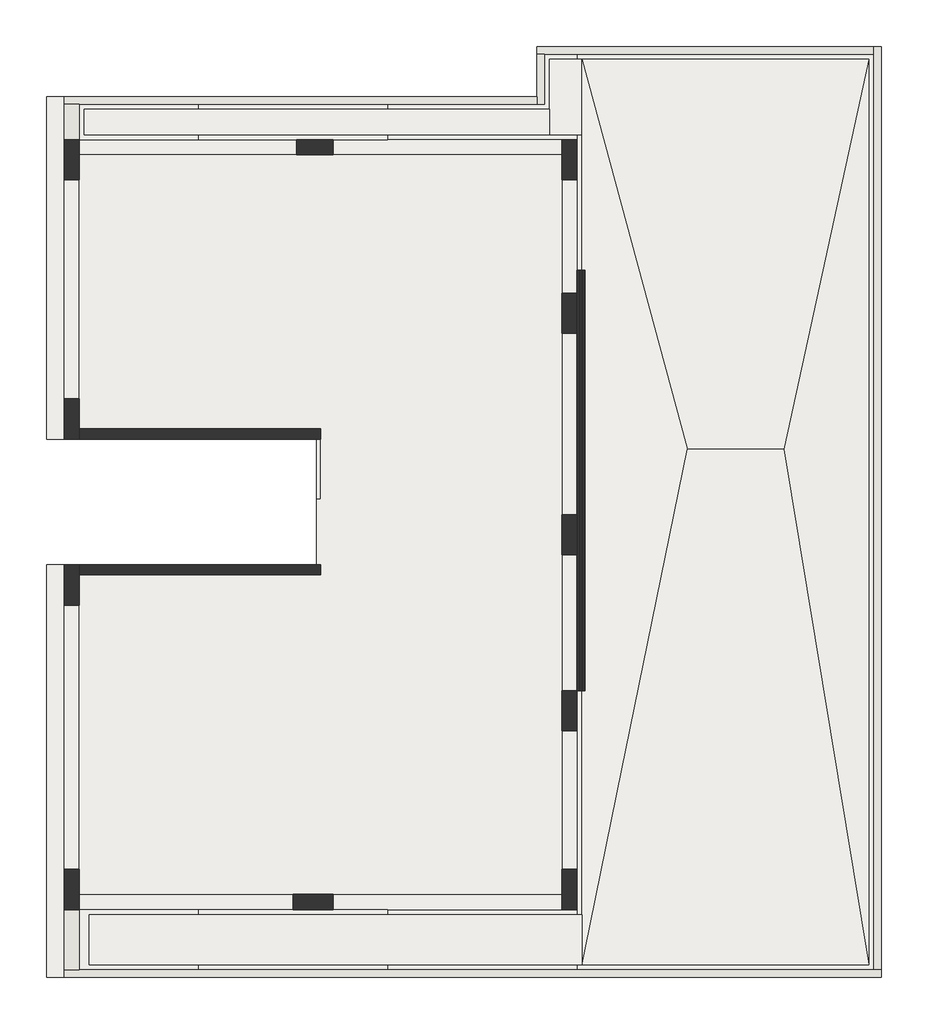
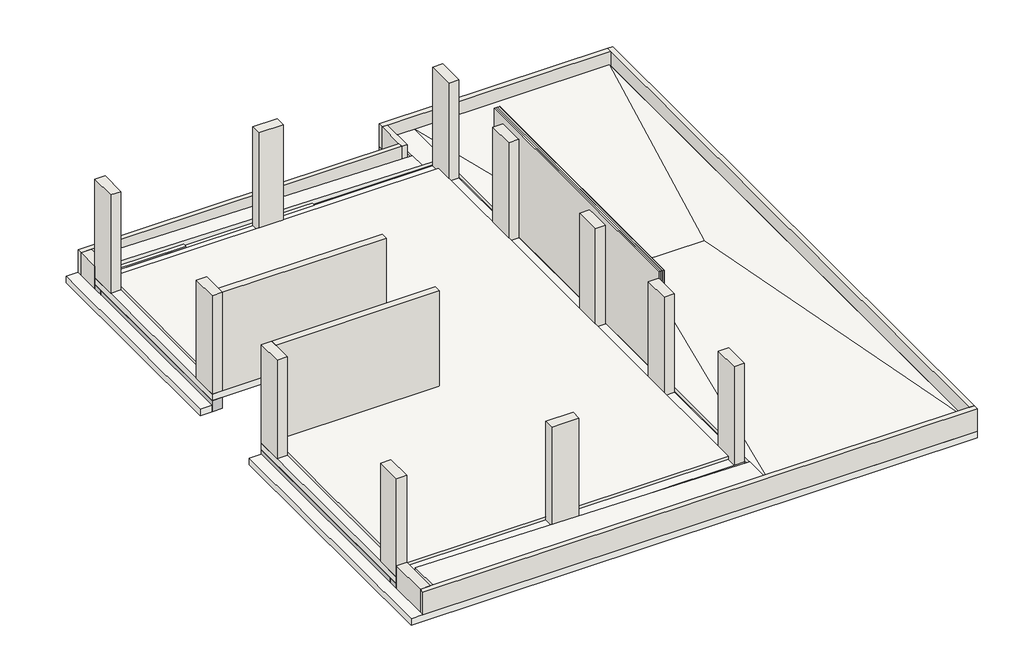
# One storey: 21 walls, 12 slabs, 5 beams.
"""IFC4 building model written with IfcOpenShell, lengths in millimetres."""

from ifc_helpers import new_model, si_unit, frame, origin, place, context, project, spatial, polyline, outline, extrude, faceted_brep, element, save

model = new_model("IFC4")

# Units and contexts
model_context = context("Model", 3, world=origin())
ifc_project = project(units=[si_unit("LENGTHUNIT", "METRE", prefix="MILLI")], contexts=[model_context])

# Site, building, storey
site = spatial("IfcSite", under=ifc_project)
building = spatial("IfcBuilding", under=site)
storey = spatial("IfcBuildingStorey", under=building, Elevation=3500.0)

# Beams
placement = place(None, origin())
element("IfcBeam", 1, at=placement, inside=storey, context=model_context, shape_type="Brep", body=[
    faceted_brep([(4714.4559604, 5372.6573753, 2950.0), (9264.4559604, 5372.6573753, 2950.0), (10064.4559604, 5372.6573753, 2950.0), (14914.4559604, 5372.6573753, 2950.0), (14914.4559604, 5372.6573753, 3150.0), (14914.4559604, 5372.6573753, 3300.0), (5014.4559604, 5372.6573753, 3300.0), (4714.4559604, 5372.6573753, 3300.0), (4714.4559604, 5372.6573753, 3150.0), (14914.4559604, 5672.6573753, 2950.0), (4714.4559604, 5672.6573753, 2950.0), (5014.4559604, 5672.6573753, 2950.0), (9264.4559604, 5672.6573753, 2950.0), (10064.4559604, 5672.6573753, 2950.0), (14614.4559604, 5672.6573753, 2950.0), (4714.4559604, 5672.6573753, 3300.0), (5014.4559604, 5672.6573753, 3300.0), (14614.4559604, 5672.6573753, 3300.0), (14914.4559604, 5672.6573753, 3300.0), (14914.4559604, 5672.6573753, 3150.0), (4714.4559604, 5672.6573753, 3150.0)], [[[0, 1, 2, 3, 4, 5, 6, 7, 8]], [[9, 3, 2, 1, 0, 10, 11, 12, 13, 14]], [[15, 16, 17, 18, 19, 9, 14, 13, 12, 11, 10, 20]], [[3, 9, 19, 18, 5, 4]], [[18, 17, 16, 15, 7, 6, 5]], [[10, 0, 8, 7, 15, 20]]]),
])
element("IfcBeam", 2, at=placement, inside=storey, context=model_context, shape_type="Brep", body=[
    faceted_brep([(14914.4559604, 5672.6573753, 2950.0), (14914.4559604, 6172.6573753, 2950.0), (14914.4559604, 8922.6573753, 2950.0), (14914.4559604, 9722.6573753, 2950.0), (14914.4559604, 12422.6573753, 2950.0), (14914.4559604, 13222.6573753, 2950.0), (14914.4559604, 16822.6573753, 2950.0), (14914.4559604, 17622.6573753, 2950.0), (14914.4559604, 19872.6573753, 2950.0), (14914.4559604, 20672.6573753, 2950.0), (14914.4559604, 20672.6573753, 3150.0), (14914.4559604, 20672.6573753, 3300.0), (14914.4559604, 5672.6573753, 3300.0), (14914.4559604, 5672.6573753, 3150.0), (14614.4559604, 5672.6573753, 2950.0), (14614.4559604, 6172.6573753, 2950.0), (14614.4559604, 8922.6573753, 2950.0), (14614.4559604, 9722.6573753, 2950.0), (14614.4559604, 12422.6573753, 2950.0), (14614.4559604, 13222.6573753, 2950.0), (14614.4559604, 16822.6573753, 2950.0), (14614.4559604, 17622.6573753, 2950.0), (14614.4559604, 19872.6573753, 2950.0), (14614.4559604, 20372.6573753, 2950.0), (14614.4559604, 20672.6573753, 2950.0), (14614.4559604, 5672.6573753, 3300.0), (14614.4559604, 20372.6573753, 3300.0), (14614.4559604, 20672.6573753, 3300.0), (14614.4559604, 20672.6573753, 3150.0)], [[[0, 1, 2, 3, 4, 5, 6, 7, 8, 9, 10, 11, 12, 13]], [[0, 14, 15, 16, 17, 18, 19, 20, 21, 22, 23, 24, 9, 8, 7, 6, 5, 4, 3, 2, 1]], [[25, 26, 27, 28, 24, 23, 22, 21, 20, 19, 18, 17, 16, 15, 14]], [[14, 0, 13, 12, 25]], [[27, 26, 25, 12, 11]], [[9, 24, 28, 27, 11, 10]]]),
])
element("IfcBeam", 3, at=placement, inside=storey, context=model_context, shape_type="Brep", body=[
    faceted_brep([(4714.4559604, 20672.6573753, 2950.0), (4714.4559604, 20672.6573753, 3150.0), (4714.4559604, 20672.6573753, 3300.0), (5014.4559604, 20672.6573753, 3300.0), (14614.4559604, 20672.6573753, 3300.0), (14614.4559604, 20672.6573753, 2950.0), (10064.4559604, 20672.6573753, 2950.0), (9339.4559604, 20672.6573753, 2950.0), (5014.4559604, 20672.6573753, 2950.0), (4714.4559604, 20372.6573753, 2950.0), (14614.4559604, 20372.6573753, 2950.0), (10064.4559604, 20372.6573753, 2950.0), (9339.4559604, 20372.6573753, 2950.0), (5014.4559604, 20372.6573753, 2950.0), (4714.4559604, 20372.6573753, 3300.0), (4714.4559604, 20372.6573753, 3150.0), (14614.4559604, 20372.6573753, 3300.0), (5014.4559604, 20372.6573753, 3300.0)], [[[0, 1, 2, 3, 4, 5, 6, 7, 8]], [[9, 0, 8, 7, 6, 5, 10, 11, 12, 13]], [[14, 15, 9, 13, 12, 11, 10, 16, 17]], [[2, 14, 17, 16, 4, 3]], [[0, 9, 15, 14, 2, 1]], [[5, 4, 16, 10]]]),
])
element("IfcBeam", 4, at=placement, inside=storey, context=model_context, shape_type="Brep", body=[
    faceted_brep([(4714.4559604, 14722.6573753, 2950.0), (4714.4559604, 14722.6573753, 3150.0), (4714.4559604, 14722.6573753, 3300.0), (4714.4559604, 20372.6573753, 3300.0), (4714.4559604, 20372.6573753, 2950.0), (4714.4559604, 19872.6573753, 2950.0), (4714.4559604, 15522.6573753, 2950.0), (5014.4559604, 14722.6573753, 2950.0), (5014.4559604, 20372.6573753, 2950.0), (5014.4559604, 19872.6573753, 2950.0), (5014.4559604, 15522.6573753, 2950.0), (5014.4559604, 14722.6573753, 3300.0), (5014.4559604, 20372.6573753, 3300.0)], [[[0, 1, 2, 3, 4, 5, 6]], [[7, 0, 6, 5, 4, 8, 9, 10]], [[11, 7, 10, 9, 8, 12]], [[0, 7, 11, 2, 1]], [[2, 11, 12, 3]], [[4, 3, 12, 8]]]),
])
element("IfcBeam", 5, at=placement, inside=storey, context=model_context, shape_type="Brep", body=[
    faceted_brep([(4714.4559604, 12222.6573753, 3300.0), (4714.4559604, 12222.6573753, 3150.0), (4714.4559604, 12222.6573753, 2950.0), (4714.4559604, 11422.6573753, 2950.0), (4714.4559604, 5672.6573753, 2950.0), (4714.4559604, 5672.6573753, 3300.0), (5014.4559604, 12222.6573753, 2950.0), (5014.4559604, 11422.6573753, 2950.0), (5014.4559604, 5672.6573753, 2950.0), (5014.4559604, 12222.6573753, 3300.0), (5014.4559604, 5672.6573753, 3300.0)], [[[0, 1, 2, 3, 4, 5]], [[2, 6, 7, 8, 4, 3]], [[6, 9, 10, 8, 7]], [[9, 0, 5, 10]], [[6, 2, 1, 0, 9]], [[5, 4, 8, 10]]]),
])

# Slabs
element("IfcSlab", 6, at=placement, inside=storey, context=model_context, shape_type="Brep", body=[
    faceted_brep([(14914.4559604, 20672.6573753, 3300.0), (14914.4559604, 5672.6573753, 3300.0), (14914.4559604, 5372.6573753, 3300.0), (4714.4559604, 5372.6573753, 3300.0), (4714.4559604, 5672.6573753, 3300.0), (4714.4559604, 12222.6573753, 3300.0), (5014.4559604, 12222.6573753, 3300.0), (9664.4559604, 12222.6573753, 3300.0), (9734.4559604, 12222.6573753, 3300.0), (9734.4559604, 14722.6573753, 3300.0), (9664.4559604, 14722.6573753, 3300.0), (9114.4559604, 14722.6573753, 3300.0), (5014.4559604, 14722.6573753, 3300.0), (4714.4559604, 14722.6573753, 3300.0), (4714.4559604, 20372.6573753, 3300.0), (4714.4559604, 20672.6573753, 3300.0), (14614.4559604, 20672.6573753, 3300.0), (14914.4559604, 20672.6573753, 3500.0), (14614.4559604, 20672.6573753, 3500.0), (10064.4559604, 20672.6573753, 3500.0), (9339.4559604, 20672.6573753, 3500.0), (5014.4559604, 20672.6573753, 3500.0), (4714.4559604, 20672.6573753, 3500.0), (4714.4559604, 19872.6573753, 3500.0), (4714.4559604, 15522.6573753, 3500.0), (4714.4559604, 14722.6573753, 3500.0), (5014.4559604, 14722.6573753, 3500.0), (9734.4559604, 14722.6573753, 3500.0), (9734.4559604, 12222.6573753, 3500.0), (5014.4559604, 12222.6573753, 3500.0), (4714.4559604, 12222.6573753, 3500.0), (4714.4559604, 11422.6573753, 3500.0), (4714.4559604, 6172.6573753, 3500.0), (4714.4559604, 5372.6573753, 3500.0), (5014.4559604, 5372.6573753, 3500.0), (14614.4559604, 5372.6573753, 3500.0), (14914.4559604, 5372.6573753, 3500.0), (14914.4559604, 6172.6573753, 3500.0), (14914.4559604, 8922.6573753, 3500.0), (14914.4559604, 9722.6573753, 3500.0), (14914.4559604, 12422.6573753, 3500.0), (14914.4559604, 13222.6573753, 3500.0), (14914.4559604, 16822.6573753, 3500.0), (14914.4559604, 17622.6573753, 3500.0), (14914.4559604, 19872.6573753, 3500.0)], [[[0, 1, 2, 3, 4, 5, 6, 7, 8, 9, 10, 11, 12, 13, 14, 15, 16]], [[17, 18, 19, 20, 21, 22, 23, 24, 25, 26, 27, 28, 29, 30, 31, 32, 33, 34, 35, 36, 37, 38, 39, 40, 41, 42, 43, 44]], [[2, 1, 0, 17, 44, 43, 42, 41, 40, 39, 38, 37, 36]], [[3, 2, 36, 35, 34, 33]], [[5, 4, 3, 33, 32, 31, 30]], [[8, 7, 6, 5, 30, 29, 28]], [[9, 8, 28, 27]], [[13, 12, 11, 10, 9, 27, 26, 25]], [[0, 16, 15, 22, 21, 20, 19, 18, 17]], [[15, 14, 13, 25, 24, 23, 22]]]),
])
element("IfcSlab", 7, at=placement, inside=storey, context=model_context, shape_type="Brep", body=[
    faceted_brep([(20964.4559604, 22522.6573753, 2950.0), (20964.4559604, 4022.6573753, 2950.0), (4364.4559604, 4022.6573753, 2950.0), (4364.4559604, 12222.6573753, 2950.0), (4714.4559604, 12222.6573753, 2950.0), (4714.4559604, 5672.6573753, 2950.0), (4714.4559604, 5372.6573753, 2950.0), (14914.4559604, 5372.6573753, 2950.0), (14914.4559604, 5672.6573753, 2950.0), (14914.4559604, 20672.6573753, 2950.0), (14614.4559604, 20672.6573753, 2950.0), (4714.4559604, 20672.6573753, 2950.0), (4714.4559604, 20372.6573753, 2950.0), (4714.4559604, 14722.6573753, 2950.0), (4364.4559604, 14722.6573753, 2950.0), (4364.4559604, 21522.6573753, 2950.0), (14114.4559604, 21522.6573753, 2950.0), (14114.4559604, 22522.6573753, 2950.0), (20964.4559604, 22522.6573753, 3150.0), (20814.4559604, 22522.6573753, 3150.0), (14114.4559604, 22522.6573753, 3150.0), (14114.4559604, 22372.6573753, 3150.0), (14114.4559604, 21522.6573753, 3150.0), (4714.4559604, 21522.6573753, 3150.0), (4364.4559604, 21522.6573753, 3150.0), (4364.4559604, 14722.6573753, 3150.0), (4714.4559604, 14722.6573753, 3150.0), (4714.4559604, 20672.6573753, 3150.0), (14914.4559604, 20672.6573753, 3150.0), (14914.4559604, 5372.6573753, 3150.0), (4714.4559604, 5372.6573753, 3150.0), (4714.4559604, 12222.6573753, 3150.0), (4364.4559604, 12222.6573753, 3150.0), (4364.4559604, 4022.6573753, 3150.0), (4714.4559604, 4022.6573753, 3150.0), (20964.4559604, 4022.6573753, 3150.0), (20964.4559604, 4172.6573753, 3150.0)], [[[0, 1, 2, 3, 4, 5, 6, 7, 8, 9, 10, 11, 12, 13, 14, 15, 16, 17]], [[18, 19, 20, 21, 22, 23, 24, 25, 26, 27, 28, 29, 30, 31, 32, 33, 34, 35, 36]], [[15, 14, 25, 24]], [[16, 15, 24, 23, 22]], [[17, 16, 22, 21, 20]], [[0, 17, 20, 19, 18]], [[1, 0, 18, 36, 35]], [[2, 1, 35, 34, 33]], [[3, 2, 33, 32]], [[9, 8, 7, 29, 28]], [[11, 10, 9, 28, 27]], [[4, 3, 32, 31]], [[6, 5, 4, 31, 30]], [[7, 6, 30, 29]], [[13, 12, 11, 27, 26]], [[14, 13, 26, 25]]]),
])
element("IfcSlab", 8, at=placement, inside=storey, context=model_context, shape_type="Brep", body=[
    faceted_brep([(14264.4559604, 22372.6573753, 3150.0), (20814.4559604, 22372.6573753, 3150.0), (20814.4559604, 4172.6573753, 3150.0), (5014.4559604, 4172.6573753, 3150.0), (5014.4559604, 5372.6573753, 3150.0), (14914.4559604, 5372.6573753, 3150.0), (14914.4559604, 20672.6573753, 3150.0), (5014.4559604, 20672.6573753, 3150.0), (5014.4559604, 21372.6573753, 3150.0), (14264.4559604, 21372.6573753, 3150.0), (14264.4559604, 22372.6573753, 3300.0), (14264.4559604, 21372.6573753, 3300.0), (5014.4559604, 21372.6573753, 3300.0), (5014.4559604, 20672.6573753, 3300.0), (14614.4559604, 20672.6573753, 3300.0), (14914.4559604, 20672.6573753, 3300.0), (14914.4559604, 5672.6573753, 3300.0), (14914.4559604, 5372.6573753, 3300.0), (5014.4559604, 5372.6573753, 3300.0), (5014.4559604, 4172.6573753, 3300.0), (20814.4559604, 4172.6573753, 3300.0), (20814.4559604, 22372.6573753, 3300.0)], [[[0, 1, 2, 3, 4, 5, 6, 7, 8, 9]], [[10, 11, 12, 13, 14, 15, 16, 17, 18, 19, 20, 21]], [[1, 0, 10, 21]], [[2, 1, 21, 20]], [[3, 2, 20, 19]], [[6, 5, 17, 16, 15]], [[7, 6, 15, 14, 13]], [[0, 9, 11, 10]], [[4, 3, 19, 18]], [[5, 4, 18, 17]], [[8, 7, 13, 12]], [[9, 8, 12, 11]]]),
])
element("IfcSlab", 9, at=placement, inside=storey, context=model_context, shape_type="Brep", body=[
    faceted_brep([(19644.4559604, 7142.6573753, 3300.0), (16084.4559604, 7142.6573753, 3300.0), (16084.4559604, 19417.6573753, 3300.0), (19644.4559604, 19417.6573753, 3300.0), (15014.4559604, 22272.6573753, 3530.0), (20714.4559604, 22272.6573753, 3530.0), (20714.4559604, 22272.6573753, 3400.0), (15014.4559604, 22272.6573753, 3400.0), (20714.4559604, 4272.6573753, 3530.0), (20714.4559604, 4272.6573753, 3400.0), (15014.4559604, 4272.6573753, 3530.0), (15014.4559604, 4272.6573753, 3400.0), (15014.4559604, 20772.6573753, 3400.0), (15014.4559604, 5272.6573753, 3400.0), (19024.4559604, 14522.6573753, 3370.0), (17104.4559604, 14522.6573753, 3370.0), (15499.4559604, 5957.6573753, 3350.0), (15499.4559604, 20602.6573753, 3350.0), (20229.4559604, 20602.6573753, 3350.0), (20229.4559604, 5957.6573753, 3350.0), (16084.4559604, 19417.6573753, 3350.0), (16084.4559604, 7142.6573753, 3350.0), (19644.4559604, 7142.6573753, 3350.0), (19644.4559604, 19417.6573753, 3350.0), (20229.4559604, 20602.6573753, 3400.0), (15499.4559604, 20602.6573753, 3400.0), (15499.4559604, 5957.6573753, 3400.0), (20229.4559604, 5957.6573753, 3400.0)], [[[0, 1, 2, 3]], [[4, 5, 6, 7]], [[5, 8, 9, 6]], [[8, 10, 11, 9]], [[10, 4, 7, 12, 13, 11]], [[10, 8, 14, 15]], [[4, 10, 15]], [[15, 14, 5, 4]], [[8, 5, 14]], [[16, 17, 18, 19], [20, 21, 22, 23]], [[22, 21, 1, 0]], [[23, 22, 0, 3]], [[20, 23, 3, 2]], [[21, 20, 2, 1]], [[7, 6, 9, 11, 13, 12], [24, 25, 26, 27]], [[26, 25, 17, 16]], [[27, 26, 16, 19]], [[24, 27, 19, 18]], [[25, 24, 18, 17]]]),
])
element("IfcSlab", 10, at=placement, inside=storey, context=model_context, shape_type="Brep", body=[
    faceted_brep([(14364.4559604, 20772.6573753, 3540.0), (5114.4559604, 20772.6573753, 3680.0), (5114.4559604, 20772.6573753, 3550.0), (7374.4559604, 20772.6573753, 3550.0), (7374.4559604, 20772.6573753, 3500.0), (11144.4559604, 20772.6573753, 3500.0), (11144.4559604, 20772.6573753, 3450.0), (14914.4559604, 20772.6573753, 3450.0), (14914.4559604, 20772.6573753, 3400.0), (15014.4559604, 20772.6573753, 3400.0), (15014.4559604, 20772.6573753, 3530.0), (14364.4559604, 22272.6573753, 3540.0), (15014.4559604, 22272.6573753, 3530.0), (15014.4559604, 22272.6573753, 3400.0), (14914.4559604, 22272.6573753, 3400.0), (14914.4559604, 22272.6573753, 3450.0), (14364.4559604, 22272.6573753, 3450.0), (5114.4559604, 21272.6573753, 3680.0), (5114.4559604, 21272.6573753, 3550.0), (14364.4559604, 21272.6573753, 3540.0), (14364.4559604, 21272.6573753, 3450.0), (11144.4559604, 21272.6573753, 3450.0), (11144.4559604, 21272.6573753, 3500.0), (7374.4559604, 21272.6573753, 3500.0), (7374.4559604, 21272.6573753, 3550.0)], [[[0, 1, 2, 3, 4, 5, 6, 7, 8, 9, 10]], [[11, 12, 13, 14, 15, 16]], [[12, 10, 9, 13]], [[1, 17, 18, 2]], [[17, 19, 20, 21, 22, 23, 24, 18]], [[19, 11, 16, 20]], [[19, 17, 1, 0]], [[10, 12, 11, 19, 0]], [[13, 9, 8, 14]], [[15, 7, 6, 21, 20, 16]], [[7, 15, 14, 8]], [[22, 5, 4, 23]], [[5, 22, 21, 6]], [[24, 3, 2, 18]], [[3, 24, 23, 4]]]),
])
element("IfcSlab", 11, at=placement, inside=storey, context=model_context, shape_type="SweptSolid", body=[
    extrude(outline(polyline([(3530.0, 15014.4559604), (3680.0, 5214.4559604), (3550.0, 5214.4559604), (3550.0, 7374.4559604), (3500.0, 7374.4559604), (3500.0, 11144.4559604), (3450.0, 11144.4559604), (3450.0, 14914.4559604), (3400.0, 14914.4559604), (3400.0, 15014.4559604), (3530.0, 15014.4559604)])), frame((0.0, 4272.6573753, 0.0), z_axis=(0.0, 1.0, 0.0), x_axis=(0.0, 0.0, 1.0)), (0.0, 0.0, 1.0), 1000.0),
])
element("IfcSlab", 12, at=placement, inside=storey, context=model_context, shape_type="SweptSolid", body=[
    extrude(outline(polyline([(14264.4559604, 22372.6573753), (20814.4559604, 22372.6573753), (20814.4559604, 4172.6573753), (5014.4559604, 4172.6573753), (5014.4559604, 5372.6573753), (14914.4559604, 5372.6573753), (14914.4559604, 20672.6573753), (5014.4559604, 20672.6573753), (5014.4559604, 21372.6573753), (14264.4559604, 21372.6573753), (14264.4559604, 22372.6573753)]), holes=[polyline([(16084.4559604, 7142.6573753), (19644.4559604, 7142.6573753), (19644.4559604, 19417.6573753), (16084.4559604, 19417.6573753), (16084.4559604, 7142.6573753)])]), frame((0.0, 0.0, 3300.0), z_axis=(0.0, 0.0, 1.0), x_axis=(1.0, 0.0, 0.0)), (0.0, 0.0, 1.0), 50.0),
])
element("IfcSlab", 13, at=placement, inside=storey, context=model_context, shape_type="Brep", body=[
    faceted_brep([(14264.4559604, 22372.6573753, 3350.0), (20814.4559604, 22372.6573753, 3350.0), (20814.4559604, 4172.6573753, 3350.0), (5014.4559604, 4172.6573753, 3350.0), (5014.4559604, 5372.6573753, 3350.0), (14914.4559604, 5372.6573753, 3350.0), (14914.4559604, 20672.6573753, 3350.0), (5014.4559604, 20672.6573753, 3350.0), (5014.4559604, 21372.6573753, 3350.0), (14264.4559604, 21372.6573753, 3350.0), (15499.4559604, 20602.6573753, 3350.0), (15499.4559604, 5957.6573753, 3350.0), (20229.4559604, 5957.6573753, 3350.0), (20229.4559604, 20602.6573753, 3350.0), (14264.4559604, 22372.6573753, 3400.0), (14264.4559604, 21372.6573753, 3400.0), (5014.4559604, 21372.6573753, 3400.0), (5014.4559604, 20672.6573753, 3400.0), (14914.4559604, 20672.6573753, 3400.0), (14914.4559604, 5372.6573753, 3400.0), (5014.4559604, 5372.6573753, 3400.0), (5014.4559604, 4172.6573753, 3400.0), (14914.4559604, 4172.6573753, 3400.0), (20814.4559604, 4172.6573753, 3400.0), (20814.4559604, 22372.6573753, 3400.0), (14914.4559604, 22372.6573753, 3400.0), (15499.4559604, 20602.6573753, 3400.0), (20229.4559604, 20602.6573753, 3400.0), (20229.4559604, 5957.6573753, 3400.0), (15499.4559604, 5957.6573753, 3400.0)], [[[0, 1, 2, 3, 4, 5, 6, 7, 8, 9], [10, 11, 12, 13]], [[14, 15, 16, 17, 18, 19, 20, 21, 22, 23, 24, 25], [26, 27, 28, 29]], [[1, 0, 14, 25, 24]], [[2, 1, 24, 23]], [[3, 2, 23, 22, 21]], [[6, 5, 19, 18]], [[7, 6, 18, 17]], [[0, 9, 15, 14]], [[4, 3, 21, 20]], [[5, 4, 20, 19]], [[8, 7, 17, 16]], [[9, 8, 16, 15]], [[11, 10, 26, 29]], [[12, 11, 29, 28]], [[13, 12, 28, 27]], [[10, 13, 27, 26]]]),
])
element("IfcSlab", 14, at=placement, inside=storey, context=model_context, shape_type="Brep", body=[
    faceted_brep([(14264.4559604, 22372.6573753, 3400.0), (14914.4559604, 22372.6573753, 3400.0), (14914.4559604, 22272.6573753, 3400.0), (14914.4559604, 20772.6573753, 3400.0), (14914.4559604, 20672.6573753, 3400.0), (5014.4559604, 20672.6573753, 3400.0), (5014.4559604, 21372.6573753, 3400.0), (14264.4559604, 21372.6573753, 3400.0), (14264.4559604, 22372.6573753, 3450.0), (14264.4559604, 21372.6573753, 3450.0), (11144.4559604, 21372.6573753, 3450.0), (5014.4559604, 21372.6573753, 3450.0), (5014.4559604, 20672.6573753, 3450.0), (11144.4559604, 20672.6573753, 3450.0), (14914.4559604, 20672.6573753, 3450.0), (14914.4559604, 20772.6573753, 3450.0), (14914.4559604, 22272.6573753, 3450.0), (14914.4559604, 22372.6573753, 3450.0)], [[[0, 1, 2, 3, 4, 5, 6, 7]], [[8, 9, 10, 11, 12, 13, 14, 15, 16, 17]], [[1, 0, 8, 17]], [[5, 4, 14, 13, 12]], [[0, 7, 9, 8]], [[6, 5, 12, 11]], [[7, 6, 11, 10, 9]], [[4, 3, 2, 1, 17, 16, 15, 14]]]),
    faceted_brep([(14914.4559604, 5372.6573753, 3400.0), (14914.4559604, 5272.6573753, 3400.0), (14914.4559604, 4272.6573753, 3400.0), (14914.4559604, 4172.6573753, 3400.0), (5014.4559604, 4172.6573753, 3400.0), (5014.4559604, 5372.6573753, 3400.0), (14914.4559604, 5372.6573753, 3450.0), (11144.4559604, 5372.6573753, 3450.0), (5014.4559604, 5372.6573753, 3450.0), (5014.4559604, 4172.6573753, 3450.0), (11144.4559604, 4172.6573753, 3450.0), (14914.4559604, 4172.6573753, 3450.0), (14914.4559604, 4272.6573753, 3450.0), (14914.4559604, 5272.6573753, 3450.0)], [[[0, 1, 2, 3, 4, 5]], [[6, 7, 8, 9, 10, 11, 12, 13]], [[4, 3, 11, 10, 9]], [[3, 2, 1, 0, 6, 13, 12, 11]], [[5, 4, 9, 8]], [[0, 5, 8, 7, 6]]]),
])
element("IfcSlab", 15, at=placement, inside=storey, context=model_context, shape_type="Brep", body=[
    faceted_brep([(5014.4559604, 4172.6573753, 3450.0), (5014.4559604, 5372.6573753, 3450.0), (11144.4559604, 5372.6573753, 3450.0), (11144.4559604, 5272.6573753, 3450.0), (11144.4559604, 4272.6573753, 3450.0), (11144.4559604, 4172.6573753, 3450.0), (5014.4559604, 4172.6573753, 3500.0), (7374.4559604, 4172.6573753, 3500.0), (11144.4559604, 4172.6573753, 3500.0), (11144.4559604, 4272.6573753, 3500.0), (11144.4559604, 5272.6573753, 3500.0), (11144.4559604, 5372.6573753, 3500.0), (7374.4559604, 5372.6573753, 3500.0), (5014.4559604, 5372.6573753, 3500.0)], [[[0, 1, 2, 3, 4, 5]], [[6, 7, 8, 9, 10, 11, 12, 13]], [[0, 5, 8, 7, 6]], [[1, 0, 6, 13]], [[2, 1, 13, 12, 11]], [[5, 4, 3, 2, 11, 10, 9, 8]]]),
    faceted_brep([(5014.4559604, 20672.6573753, 3450.0), (5014.4559604, 21372.6573753, 3450.0), (11144.4559604, 21372.6573753, 3450.0), (11144.4559604, 21272.6573753, 3450.0), (11144.4559604, 20772.6573753, 3450.0), (11144.4559604, 20672.6573753, 3450.0), (5014.4559604, 20672.6573753, 3500.0), (7374.4559604, 20672.6573753, 3500.0), (11144.4559604, 20672.6573753, 3500.0), (11144.4559604, 20772.6573753, 3500.0), (11144.4559604, 21272.6573753, 3500.0), (11144.4559604, 21372.6573753, 3500.0), (7374.4559604, 21372.6573753, 3500.0), (5014.4559604, 21372.6573753, 3500.0)], [[[0, 1, 2, 3, 4, 5]], [[6, 7, 8, 9, 10, 11, 12, 13]], [[0, 5, 8, 7, 6]], [[1, 0, 6, 13]], [[2, 1, 13, 12, 11]], [[5, 4, 3, 2, 11, 10, 9, 8]]]),
])
element("IfcSlab", 16, at=placement, inside=storey, context=model_context, shape_type="Brep", body=[
    faceted_brep([(5014.4559604, 4172.6573753, 3500.0), (5014.4559604, 5372.6573753, 3500.0), (7374.4559604, 5372.6573753, 3500.0), (7374.4559604, 5272.6573753, 3500.0), (7374.4559604, 4272.6573753, 3500.0), (7374.4559604, 4172.6573753, 3500.0), (5014.4559604, 4172.6573753, 3550.0), (7374.4559604, 4172.6573753, 3550.0), (7374.4559604, 4272.6573753, 3550.0), (7374.4559604, 5272.6573753, 3550.0), (7374.4559604, 5372.6573753, 3550.0), (5014.4559604, 5372.6573753, 3550.0)], [[[0, 1, 2, 3, 4, 5]], [[6, 7, 8, 9, 10, 11]], [[0, 5, 7, 6]], [[1, 0, 6, 11]], [[2, 1, 11, 10]], [[5, 4, 3, 2, 10, 9, 8, 7]]]),
    faceted_brep([(5014.4559604, 20672.6573753, 3500.0), (5014.4559604, 21372.6573753, 3500.0), (7374.4559604, 21372.6573753, 3500.0), (7374.4559604, 21272.6573753, 3500.0), (7374.4559604, 20772.6573753, 3500.0), (7374.4559604, 20672.6573753, 3500.0), (5014.4559604, 20672.6573753, 3550.0), (7374.4559604, 20672.6573753, 3550.0), (7374.4559604, 20772.6573753, 3550.0), (7374.4559604, 21272.6573753, 3550.0), (7374.4559604, 21372.6573753, 3550.0), (5014.4559604, 21372.6573753, 3550.0)], [[[0, 1, 2, 3, 4, 5]], [[6, 7, 8, 9, 10, 11]], [[0, 5, 7, 6]], [[1, 0, 6, 11]], [[2, 1, 11, 10]], [[5, 4, 3, 2, 10, 9, 8, 7]]]),
])
element("IfcSlab", 17, at=placement, inside=storey, context=model_context, shape_type="SweptSolid", body=[
    extrude(outline(polyline([(5014.4559604, 12022.6573753), (9814.4559604, 12022.6573753), (9814.4559604, 12222.6573753), (9734.4559604, 12222.6573753), (9734.4559604, 13522.6573753), (9814.4559604, 13522.6573753), (9814.4559604, 14922.6573753), (5014.4559604, 14922.6573753), (5014.4559604, 20372.6573753), (14614.4559604, 20372.6573753), (14614.4559604, 5672.6573753), (5014.4559604, 5672.6573753), (5014.4559604, 12022.6573753)])), frame((0.0, 0.0, 3500.0), z_axis=(0.0, 0.0, 1.0), x_axis=(1.0, 0.0, 0.0)), (0.0, 0.0, 1.0), 100.0),
])

# Walls
element("IfcWall", 18, at=placement, inside=storey, context=model_context, shape_type="Brep", body=[
    faceted_brep([(5014.4559604, 14722.6573753, 3500.0), (9734.4559604, 14722.6573753, 3500.0), (9814.4559604, 14722.6573753, 3500.0), (9814.4559604, 14722.6573753, 6550.0), (5014.4559604, 14722.6573753, 6550.0), (5014.4559604, 14922.6573753, 3500.0), (5014.4559604, 14922.6573753, 6550.0), (9814.4559604, 14922.6573753, 6550.0), (9814.4559604, 14922.6573753, 3500.0)], [[[0, 1, 2, 3, 4]], [[5, 6, 7, 8]], [[2, 1, 0, 5, 8]], [[3, 2, 8, 7]], [[4, 3, 7, 6]], [[0, 4, 6, 5]]]),
])
element("IfcWall", 19, at=placement, inside=storey, context=model_context, shape_type="Brep", body=[
    faceted_brep([(5014.4559604, 12022.6573753, 3500.0), (9814.4559604, 12022.6573753, 3500.0), (9814.4559604, 12022.6573753, 6550.0), (5014.4559604, 12022.6573753, 6550.0), (5014.4559604, 12222.6573753, 3500.0), (5014.4559604, 12222.6573753, 6550.0), (9814.4559604, 12222.6573753, 6550.0), (9814.4559604, 12222.6573753, 3500.0), (9734.4559604, 12222.6573753, 3500.0)], [[[0, 1, 2, 3]], [[4, 5, 6, 7, 8]], [[1, 0, 4, 8, 7]], [[2, 1, 7, 6]], [[0, 3, 5, 4]], [[3, 2, 6, 5]]]),
])
element("IfcWall", 20, at=placement, inside=storey, context=model_context, shape_type="Brep", body=[
    faceted_brep([(4714.4559604, 20672.6573753, 3500.0), (4714.4559604, 19872.6573753, 3500.0), (4714.4559604, 19872.6573753, 6550.0), (4714.4559604, 20672.6573753, 6550.0), (4714.4559604, 20672.6573753, 3850.0), (5014.4559604, 20672.6573753, 3500.0), (5014.4559604, 20672.6573753, 3850.0), (5014.4559604, 20672.6573753, 6550.0), (5014.4559604, 19872.6573753, 6550.0), (5014.4559604, 19872.6573753, 3500.0)], [[[0, 1, 2, 3, 4]], [[5, 6, 7, 8, 9]], [[1, 0, 5, 9]], [[2, 1, 9, 8]], [[0, 4, 3, 7, 6, 5]], [[3, 2, 8, 7]]]),
])
element("IfcWall", 21, at=placement, inside=storey, context=model_context, shape_type="SweptSolid", body=[
    extrude(outline(polyline([(14614.4559604, 19872.6573753), (14614.4559604, 20672.6573753), (14914.4559604, 20672.6573753), (14914.4559604, 19872.6573753), (14614.4559604, 19872.6573753)])), frame((0.0, 0.0, 3500.0), z_axis=(0.0, 0.0, 1.0), x_axis=(1.0, 0.0, 0.0)), (0.0, 0.0, 1.0), 3050.0),
])
element("IfcWall", 22, at=placement, inside=storey, context=model_context, shape_type="Brep", body=[
    faceted_brep([(5014.4559604, 5372.6573753, 3500.0), (5014.4559604, 6172.6573753, 3500.0), (5014.4559604, 6172.6573753, 6550.0), (5014.4559604, 5372.6573753, 6550.0), (5014.4559604, 5372.6573753, 3850.0), (4714.4559604, 5372.6573753, 3500.0), (4714.4559604, 5372.6573753, 3850.0), (4714.4559604, 5372.6573753, 6550.0), (4714.4559604, 6172.6573753, 6550.0), (4714.4559604, 6172.6573753, 3500.0)], [[[0, 1, 2, 3, 4]], [[5, 6, 7, 8, 9]], [[1, 0, 5, 9]], [[2, 1, 9, 8]], [[0, 4, 3, 7, 6, 5]], [[3, 2, 8, 7]]]),
])
element("IfcWall", 23, at=placement, inside=storey, context=model_context, shape_type="SweptSolid", body=[
    extrude(outline(polyline([(9264.4559604, 5672.6573753), (10064.4559604, 5672.6573753), (10064.4559604, 5372.6573753), (9264.4559604, 5372.6573753), (9264.4559604, 5672.6573753)])), frame((0.0, 0.0, 3500.0), z_axis=(0.0, 0.0, 1.0), x_axis=(1.0, 0.0, 0.0)), (0.0, 0.0, 1.0), 3050.0),
])
element("IfcWall", 24, at=placement, inside=storey, context=model_context, shape_type="SweptSolid", body=[
    extrude(outline(polyline([(14914.4559604, 6172.6573753), (14914.4559604, 5372.6573753), (14614.4559604, 5372.6573753), (14614.4559604, 6172.6573753), (14914.4559604, 6172.6573753)])), frame((0.0, 0.0, 3500.0), z_axis=(0.0, 0.0, 1.0), x_axis=(1.0, 0.0, 0.0)), (0.0, 0.0, 1.0), 3050.0),
])
element("IfcWall", 25, at=placement, inside=storey, context=model_context, shape_type="SweptSolid", body=[
    extrude(outline(polyline([(9339.4559604, 20672.6573753), (10064.4559604, 20672.6573753), (10064.4559604, 20372.6573753), (9339.4559604, 20372.6573753), (9339.4559604, 20672.6573753)])), frame((0.0, 0.0, 3500.0), z_axis=(0.0, 0.0, 1.0), x_axis=(1.0, 0.0, 0.0)), (0.0, 0.0, 1.0), 3050.0),
])
element("IfcWall", 26, at=placement, inside=storey, context=model_context, shape_type="SweptSolid", body=[
    extrude(outline(polyline([(14914.4559604, 13222.6573753), (14914.4559604, 12422.6573753), (14614.4559604, 12422.6573753), (14614.4559604, 13222.6573753), (14914.4559604, 13222.6573753)])), frame((0.0, 0.0, 3500.0), z_axis=(0.0, 0.0, 1.0), x_axis=(1.0, 0.0, 0.0)), (0.0, 0.0, 1.0), 3050.0),
])
element("IfcWall", 27, at=placement, inside=storey, context=model_context, shape_type="SweptSolid", body=[
    extrude(outline(polyline([(14914.4559604, 9722.6573753), (14914.4559604, 8922.6573753), (14614.4559604, 8922.6573753), (14614.4559604, 9722.6573753), (14914.4559604, 9722.6573753)])), frame((0.0, 0.0, 3500.0), z_axis=(0.0, 0.0, 1.0), x_axis=(1.0, 0.0, 0.0)), (0.0, 0.0, 1.0), 3050.0),
])
element("IfcWall", 28, at=placement, inside=storey, context=model_context, shape_type="SweptSolid", body=[
    extrude(outline(polyline([(14914.4559604, 17622.6573753), (14914.4559604, 16822.6573753), (14614.4559604, 16822.6573753), (14614.4559604, 17622.6573753), (14914.4559604, 17622.6573753)])), frame((0.0, 0.0, 3500.0), z_axis=(0.0, 0.0, 1.0), x_axis=(1.0, 0.0, 0.0)), (0.0, 0.0, 1.0), 3050.0),
])
element("IfcWall", 29, at=placement, inside=storey, context=model_context, shape_type="Brep", body=[
    faceted_brep([(20964.4559604, 4172.6573753, 3150.0), (20814.4559604, 4172.6573753, 3150.0), (5014.4559604, 4172.6573753, 3150.0), (4714.4559604, 4172.6573753, 3150.0), (4714.4559604, 4172.6573753, 3850.0), (5014.4559604, 4172.6573753, 3850.0), (20814.4559604, 4172.6573753, 3850.0), (20964.4559604, 4172.6573753, 3850.0), (20964.4559604, 4022.6573753, 3150.0), (20964.4559604, 4022.6573753, 3850.0), (4714.4559604, 4022.6573753, 3850.0), (4714.4559604, 4022.6573753, 3150.0)], [[[0, 1, 2, 3, 4, 5, 6, 7]], [[8, 9, 10, 11]], [[7, 6, 5, 4, 10, 9]], [[0, 7, 9, 8]], [[3, 2, 1, 0, 8, 11]], [[4, 3, 11, 10]]]),
])
element("IfcWall", 30, at=placement, inside=storey, context=model_context, shape_type="Brep", body=[
    faceted_brep([(20814.4559604, 22522.6573753, 3150.0), (20814.4559604, 22372.6573753, 3150.0), (20814.4559604, 4172.6573753, 3150.0), (20814.4559604, 4172.6573753, 3850.0), (20814.4559604, 22372.6573753, 3850.0), (20814.4559604, 22522.6573753, 3850.0), (20964.4559604, 22522.6573753, 3150.0), (20964.4559604, 22522.6573753, 3850.0), (20964.4559604, 4172.6573753, 3850.0), (20964.4559604, 4172.6573753, 3150.0)], [[[0, 1, 2, 3, 4, 5]], [[6, 7, 8, 9]], [[2, 1, 0, 6, 9]], [[5, 4, 3, 8, 7]], [[3, 2, 9, 8]], [[0, 5, 7, 6]]]),
])
element("IfcWall", 31, at=placement, inside=storey, context=model_context, shape_type="Brep", body=[
    faceted_brep([(14114.4559604, 22372.6573753, 3150.0), (14264.4559604, 22372.6573753, 3150.0), (20814.4559604, 22372.6573753, 3150.0), (20814.4559604, 22372.6573753, 3850.0), (14264.4559604, 22372.6573753, 3850.0), (14114.4559604, 22372.6573753, 3850.0), (14114.4559604, 22522.6573753, 3150.0), (14114.4559604, 22522.6573753, 3850.0), (20814.4559604, 22522.6573753, 3850.0), (20814.4559604, 22522.6573753, 3150.0)], [[[0, 1, 2, 3, 4, 5]], [[6, 7, 8, 9]], [[5, 4, 3, 8, 7]], [[3, 2, 9, 8]], [[0, 5, 7, 6]], [[2, 1, 0, 6, 9]]]),
])
element("IfcWall", 32, at=placement, inside=storey, context=model_context, shape_type="Brep", body=[
    faceted_brep([(14264.4559604, 21372.6573753, 3150.0), (14264.4559604, 22372.6573753, 3150.0), (14264.4559604, 22372.6573753, 3850.0), (14264.4559604, 21372.6573753, 3850.0), (14114.4559604, 21372.6573753, 3150.0), (14114.4559604, 21372.6573753, 3850.0), (14114.4559604, 21522.6573753, 3850.0), (14114.4559604, 22372.6573753, 3850.0), (14114.4559604, 22372.6573753, 3150.0), (14114.4559604, 21522.6573753, 3150.0)], [[[0, 1, 2, 3]], [[4, 5, 6, 7, 8, 9]], [[3, 2, 7, 6, 5]], [[2, 1, 8, 7]], [[1, 0, 4, 9, 8]], [[0, 3, 5, 4]]]),
])
element("IfcWall", 33, at=placement, inside=storey, context=model_context, shape_type="Brep", body=[
    faceted_brep([(4714.4559604, 21372.6573753, 3150.0), (5014.4559604, 21372.6573753, 3150.0), (14114.4559604, 21372.6573753, 3150.0), (14114.4559604, 21372.6573753, 3850.0), (5014.4559604, 21372.6573753, 3850.0), (4714.4559604, 21372.6573753, 3850.0), (4714.4559604, 21522.6573753, 3150.0), (4714.4559604, 21522.6573753, 3850.0), (14114.4559604, 21522.6573753, 3850.0), (14114.4559604, 21522.6573753, 3150.0)], [[[0, 1, 2, 3, 4, 5]], [[6, 7, 8, 9]], [[5, 4, 3, 8, 7]], [[0, 5, 7, 6]], [[2, 1, 0, 6, 9]], [[3, 2, 9, 8]]]),
])
element("IfcWall", 34, at=placement, inside=storey, context=model_context, shape_type="Brep", body=[
    faceted_brep([(5014.4559604, 4172.6573753, 3150.0), (5014.4559604, 5372.6573753, 3150.0), (5014.4559604, 5372.6573753, 3500.0), (5014.4559604, 5372.6573753, 3850.0), (5014.4559604, 4172.6573753, 3850.0), (4714.4559604, 4172.6573753, 3150.0), (4714.4559604, 4172.6573753, 3850.0), (4714.4559604, 5372.6573753, 3850.0), (4714.4559604, 5372.6573753, 3500.0), (4714.4559604, 5372.6573753, 3300.0), (4714.4559604, 5372.6573753, 3150.0)], [[[0, 1, 2, 3, 4]], [[5, 6, 7, 8, 9, 10]], [[3, 2, 1, 10, 9, 8, 7]], [[4, 3, 7, 6]], [[1, 0, 5, 10]], [[0, 4, 6, 5]]]),
])
element("IfcWall", 35, at=placement, inside=storey, context=model_context, shape_type="Brep", body=[
    faceted_brep([(5014.4559604, 20672.6573753, 3150.0), (5014.4559604, 21372.6573753, 3150.0), (5014.4559604, 21372.6573753, 3850.0), (5014.4559604, 20672.6573753, 3850.0), (5014.4559604, 20672.6573753, 3500.0), (4714.4559604, 20672.6573753, 3150.0), (4714.4559604, 20672.6573753, 3300.0), (4714.4559604, 20672.6573753, 3500.0), (4714.4559604, 20672.6573753, 3850.0), (4714.4559604, 21372.6573753, 3850.0), (4714.4559604, 21372.6573753, 3150.0)], [[[0, 1, 2, 3, 4]], [[5, 6, 7, 8, 9, 10]], [[3, 2, 9, 8]], [[0, 4, 3, 8, 7, 6, 5]], [[2, 1, 10, 9]], [[1, 0, 5, 10]]]),
])
element("IfcWall", 36, at=placement, inside=storey, context=model_context, shape_type="Brep", body=[
    faceted_brep([(5014.4559604, 11422.6573753, 3500.0), (5014.4559604, 12022.6573753, 3500.0), (5014.4559604, 12222.6573753, 3500.0), (5014.4559604, 12222.6573753, 6550.0), (5014.4559604, 12022.6573753, 6550.0), (5014.4559604, 11422.6573753, 6550.0), (4714.4559604, 11422.6573753, 3500.0), (4714.4559604, 11422.6573753, 6550.0), (4714.4559604, 12222.6573753, 6550.0), (4714.4559604, 12222.6573753, 3500.0)], [[[0, 1, 2, 3, 4, 5]], [[6, 7, 8, 9]], [[2, 1, 0, 6, 9]], [[0, 5, 7, 6]], [[3, 2, 9, 8]], [[5, 4, 3, 8, 7]]]),
])
element("IfcWall", 37, at=placement, inside=storey, context=model_context, shape_type="Brep", body=[
    faceted_brep([(5014.4559604, 14722.6573753, 3500.0), (5014.4559604, 14922.6573753, 3500.0), (5014.4559604, 15522.6573753, 3500.0), (5014.4559604, 15522.6573753, 6550.0), (5014.4559604, 14922.6573753, 6550.0), (5014.4559604, 14722.6573753, 6550.0), (4714.4559604, 14722.6573753, 3500.0), (4714.4559604, 14722.6573753, 6550.0), (4714.4559604, 15522.6573753, 6550.0), (4714.4559604, 15522.6573753, 3500.0)], [[[0, 1, 2, 3, 4, 5]], [[6, 7, 8, 9]], [[3, 2, 9, 8]], [[2, 1, 0, 6, 9]], [[5, 4, 3, 8, 7]], [[0, 5, 7, 6]]]),
])
element("IfcWall", 38, at=placement, inside=storey, context=model_context, shape_type="SweptSolid", body=[
    extrude(outline(polyline([(14914.4559604, 9722.6573753), (14914.4559604, 18081.0350679), (14964.4559604, 18081.0350679), (14964.4559604, 9722.6573753), (14914.4559604, 9722.6573753)])), frame((0.0, 0.0, 3531.7243359), z_axis=(0.0, 0.0, 1.0), x_axis=(1.0, 0.0, 0.0)), (0.0, 0.0, 1.0), 3218.2756641),
    extrude(outline(polyline([(15014.4559604, 9722.6573753), (14964.4559604, 9722.6573753), (14964.4559604, 18081.0350679), (15014.4559604, 18081.0350679), (15014.4559604, 9722.6573753)])), frame((0.0, 0.0, 3531.7243359), z_axis=(0.0, 0.0, 1.0), x_axis=(1.0, 0.0, 0.0)), (0.0, 0.0, 1.0), 3218.2756641),
    extrude(outline(polyline([(15064.4559604, 9722.6573753), (15014.4559604, 9722.6573753), (15014.4559604, 18081.0350679), (15064.4559604, 18081.0350679), (15064.4559604, 9722.6573753)])), frame((0.0, 0.0, 3531.7243359), z_axis=(0.0, 0.0, 1.0), x_axis=(1.0, 0.0, 0.0)), (0.0, 0.0, 1.0), 3218.2756641),
    extrude(outline(polyline([(15074.4559604, 18081.0350679), (15074.4559604, 9722.6573753), (15064.4559604, 9722.6573753), (15064.4559604, 18081.0350679), (15074.4559604, 18081.0350679)])), frame((0.0, 0.0, 3531.7243359), z_axis=(0.0, 0.0, 1.0), x_axis=(1.0, 0.0, 0.0)), (0.0, 0.0, 1.0), 3218.2756641),
])

save(model, "model.ifc")
